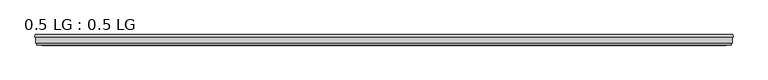
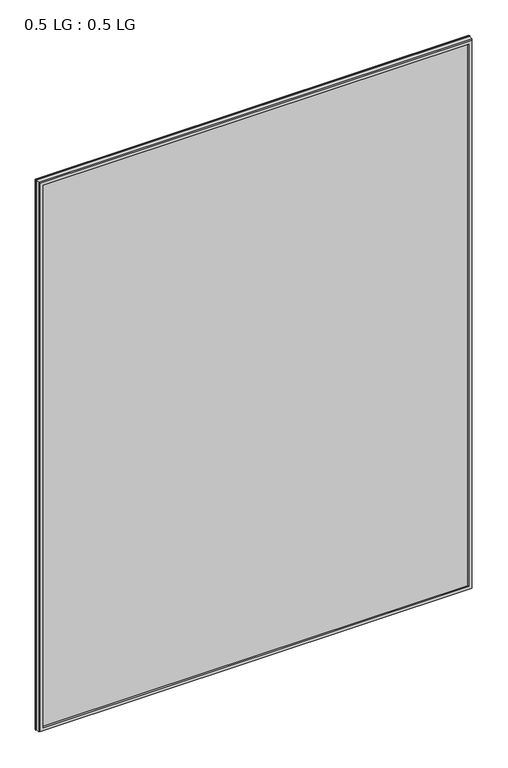
"""IFC4 building model written with IfcOpenShell, lengths in millimetres: plate geometry, 0.5 LG : 0.5 LG."""

import ifcopenshell
import ifcopenshell.guid

model = None  # the IFC model being written
_history = None  # IfcOwnerHistory: only IFC2X3 demands one
_inside = {}  # id of a spatial element -> (the spatial element, [elements in it])
_under = {}  # id of a project, library or spatial element -> (it, [spatial elements below it])
_declared = {}  # id of a project -> (the project, [libraries it declares])
_typed = {}  # id of a type object -> (the type object, [elements of that type])
_made_of = {}  # id of a material, layer set ... -> (it, [elements and type objects made of it])


def new_model(schema):
    """Start an empty IFC model of exactly this schema.

    Asked for "IFC4X3", IfcOpenShell would pick the latest addendum, in which some entities
    have other attributes; the version numbers below select the first issue.
    IFC2X3 requires an IfcOwnerHistory on every rooted entity: one is made here for all.
    """
    global model, _history
    if schema == "IFC4X3":
        model = ifcopenshell.file(schema_version=(4, 3, 0, 0))
    else:
        model = ifcopenshell.file(schema=schema)
    _inside.clear()
    _under.clear()
    _declared.clear()
    _typed.clear()
    _made_of.clear()
    _history = None
    if model.schema == "IFC2X3":
        org = make("IfcOrganization", Name="unknown")
        user = make(
            "IfcPersonAndOrganization",
            ThePerson=make("IfcPerson", FamilyName="unknown"),
            TheOrganization=org,
        )
        app = make(
            "IfcApplication",
            ApplicationDeveloper=org,
            Version="unknown",
            ApplicationFullName="unknown",
            ApplicationIdentifier="unknown",
        )
        _history = make(
            "IfcOwnerHistory",
            OwningUser=user,
            OwningApplication=app,
            ChangeAction="ADDED",
            CreationDate=0,
        )
    return model


def make(cls, **values):
    """One entity of the class cls with the attributes given. An attribute that is None is left unset."""
    return model.create_entity(
        cls, **{name: value for name, value in values.items() if value is not None}
    )


def rooted(cls, **values):
    """An entity with a GlobalId (a new one), such as an element, a storey or a relation."""
    return make(cls, GlobalId=ifcopenshell.guid.new(), OwnerHistory=_history, **values)


def si_unit(unit_type, name, prefix=None):
    """IfcSIUnit, for example si_unit("LENGTHUNIT", "METRE", prefix="MILLI")."""
    return make("IfcSIUnit", UnitType=unit_type, Prefix=prefix, Name=name)


def assignment(units):
    """IfcUnitAssignment: the units of a project."""
    return None if units is None else make("IfcUnitAssignment", Units=units)


def point(xyz):
    """IfcCartesianPoint."""
    return None if xyz is None else make("IfcCartesianPoint", Coordinates=xyz)


def direction(xyz):
    """IfcDirection."""
    return None if xyz is None else make("IfcDirection", DirectionRatios=xyz)


def frame(location, z_axis=None, x_axis=None):
    """IfcAxis2Placement3D, a coordinate frame: its origin and axes. An axis left out is left unset."""
    return make(
        "IfcAxis2Placement3D",
        Location=point(location),
        Axis=direction(z_axis),
        RefDirection=direction(x_axis),
    )


def origin():
    """The frame at (0, 0, 0) with its axes left unset."""
    return frame((0.0, 0.0, 0.0))


def origin_with_axes():
    """The frame at (0, 0, 0) with the z axis (0, 0, 1) and the x axis (1, 0, 0) written out."""
    return frame((0.0, 0.0, 0.0), z_axis=(0.0, 0.0, 1.0), x_axis=(1.0, 0.0, 0.0))


def place(relative_to, where):
    """IfcLocalPlacement: puts the frame where relative to a parent placement (None: the world)."""
    return make(
        "IfcLocalPlacement", PlacementRelTo=relative_to, RelativePlacement=where
    )


def context(
    kind, dimensions, precision=None, world=None, true_north=None, identifier=None
):
    """IfcGeometricRepresentationContext, for example the 3D "Model" context."""
    return make(
        "IfcGeometricRepresentationContext",
        ContextIdentifier=identifier,
        ContextType=kind,
        CoordinateSpaceDimension=dimensions,
        Precision=precision,
        WorldCoordinateSystem=world,
        TrueNorth=true_north,
    )


def project(units=None, contexts=None):
    """IfcProject with its units and contexts."""
    return rooted(
        "IfcProject",
        Name="project",
        RepresentationContexts=contexts,
        UnitsInContext=assignment(units),
    )


def spatial(cls, under=None, at=None, **own):
    """A site, building, storey or space (cls), placed at a placement, below another one or the project."""
    s = rooted(cls, ObjectPlacement=at, **own)
    if under is not None:
        _under.setdefault(under.id(), (under, []))[1].append(s)
    return s


def polyline(points):
    """IfcPolyline through the points."""
    return make("IfcPolyline", Points=[point(p) for p in points])


def outline(outer, holes=None, kind="AREA"):
    """IfcArbitraryClosedProfileDef: a profile drawn as a closed curve; with holes, ...WithVoids."""
    if holes is None:
        return make("IfcArbitraryClosedProfileDef", ProfileType=kind, OuterCurve=outer)
    return make(
        "IfcArbitraryProfileDefWithVoids",
        ProfileType=kind,
        OuterCurve=outer,
        InnerCurves=holes,
    )


def extrude(swept, where, along, depth):
    """IfcExtrudedAreaSolid: the profile swept, set in the frame where, extruded along a direction by depth."""
    return make(
        "IfcExtrudedAreaSolid",
        SweptArea=swept,
        Position=where,
        ExtrudedDirection=direction(along),
        Depth=depth,
    )


def faces_of(points, faces, orient=None, outer=None):
    """IfcFace entities. A face is a list of loops; a loop is a list of indices into points, from 0.

    orient and outer hold one flag for each loop. By default every Orientation is true, the
    first loop of a face is its IfcFaceOuterBound and the others are IfcFaceBound.
    """
    made = []
    for i, loops in enumerate(faces):
        bounds = []
        for j, loop in enumerate(loops):
            is_outer = j == 0 if outer is None else outer[i][j]
            bounds.append(
                make(
                    "IfcFaceOuterBound" if is_outer else "IfcFaceBound",
                    Bound=make("IfcPolyLoop", Polygon=[points[k] for k in loop]),
                    Orientation=True if orient is None else orient[i][j],
                )
            )
        made.append(make("IfcFace", Bounds=bounds))
    return made


def faceted_brep(points, faces, orient=None, outer=None, voids=None):
    """IfcFacetedBrep: a solid bounded by flat faces; with voids (closed shells), ...WithVoids."""
    shared = [point(p) for p in points]
    hull = make("IfcClosedShell", CfsFaces=faces_of(shared, faces, orient, outer))
    if voids is None:
        return make("IfcFacetedBrep", Outer=hull)
    return make(
        "IfcFacetedBrepWithVoids",
        Outer=hull,
        Voids=[
            make(cls, CfsFaces=faces_of(shared, fs, o, b)) for cls, fs, o, b in voids
        ],
    )


def shape(context_of_items, identifier, shape_type, items):
    """IfcShapeRepresentation: the items that make up one representation, for example the "Body"."""
    return make(
        "IfcShapeRepresentation",
        ContextOfItems=context_of_items,
        RepresentationIdentifier=identifier,
        RepresentationType=shape_type,
        Items=items,
    )


def source(mapping_origin, context_of_items, identifier, shape_type, items):
    """IfcRepresentationMap: a shape defined once, which mapped items show again and again."""
    return make(
        "IfcRepresentationMap",
        MappingOrigin=mapping_origin,
        MappedRepresentation=shape(context_of_items, identifier, shape_type, items),
    )


def transform(
    local_origin,
    x_axis=None,
    y_axis=None,
    z_axis=None,
    scale=None,
    scale2=None,
    scale3=None,
    uniform=True,
):
    """IfcCartesianTransformationOperator3D, or its non-uniform kind. x_axis, y_axis, z_axis: its Axis1, 2, 3."""
    if uniform:
        return make(
            "IfcCartesianTransformationOperator3D",
            Axis1=direction(x_axis),
            Axis2=direction(y_axis),
            LocalOrigin=point(local_origin),
            Scale=scale,
            Axis3=direction(z_axis),
        )
    return make(
        "IfcCartesianTransformationOperator3DnonUniform",
        Axis1=direction(x_axis),
        Axis2=direction(y_axis),
        LocalOrigin=point(local_origin),
        Scale=scale,
        Axis3=direction(z_axis),
        Scale2=scale2,
        Scale3=scale3,
    )


def mapped(mapping_source, mapping_target):
    """IfcMappedItem: shows the shape of a source again, moved by a transform."""
    return make(
        "IfcMappedItem", MappingSource=mapping_source, MappingTarget=mapping_target
    )


def made_of(thing, what):
    """Note that an element or type object is made of a material, layer set ...; save() writes the relation."""
    if what is not None:
        _made_of.setdefault(what.id(), (what, []))[1].append(thing)
    return thing


def element(
    cls,
    number,
    at=None,
    inside=None,
    cuts=None,
    type_object=None,
    material=None,
    context=None,
    identifier="Body",
    shape_type=None,
    held_by="IfcProductDefinitionShape",
    body=None,
    shapes=None,
    **own,
):
    """One element of the class cls, such as IfcWall. Its Tag is "e" and its number.

    at: its placement. inside: the storey or other place that contains it. cuts: it is an
    opening in that element (IfcRelVoidsElement). A single representation is given by context,
    identifier, shape_type and body (its items); several are given by shapes. held_by: the class
    of the entity that holds the representations. save() writes the other relations.
    """
    e = rooted(cls, Tag="e%d" % number, ObjectPlacement=at, **own)
    if body is not None:
        shapes = [shape(context, identifier, shape_type, body)]
    if shapes is not None:
        e.Representation = make(held_by, Representations=shapes)
    if inside is not None:
        _inside.setdefault(inside.id(), (inside, []))[1].append(e)
    if cuts is not None:
        rooted(
            "IfcRelVoidsElement", RelatingBuildingElement=cuts, RelatedOpeningElement=e
        )
    if type_object is not None:
        _typed.setdefault(type_object.id(), (type_object, []))[1].append(e)
    return made_of(e, material)


def aggregate(whole, parts):
    """IfcRelAggregates: a whole, such as a stair, and the parts it consists of."""
    return rooted("IfcRelAggregates", RelatingObject=whole, RelatedObjects=parts)


def save(model, path):
    """Write the relations noted so far, then the file.

    IfcRelAggregates (storeys below a building ...), IfcRelContainedInSpatialStructure (elements
    in a storey), IfcRelDefinesByType, IfcRelAssociatesMaterial and IfcRelDeclares: one each for
    every whole, place, type object, material and project.
    """
    for whole, parts in _under.values():
        aggregate(whole, parts)
    for where, things in _inside.values():
        rooted(
            "IfcRelContainedInSpatialStructure",
            RelatedElements=things,
            RelatingStructure=where,
        )
    for kind, things in _typed.values():
        rooted("IfcRelDefinesByType", RelatedObjects=things, RelatingType=kind)
    for what, things in _made_of.values():
        rooted("IfcRelAssociatesMaterial", RelatedObjects=things, RelatingMaterial=what)
    for by, libraries in _declared.values():
        rooted("IfcRelDeclares", RelatingContext=by, RelatedDefinitions=libraries)
    model.write(path)


def plate_0_5_lg_0_5_lg_91188e90(model_context):
    return source(origin(), model_context, "Body", "SolidModel", [
        faceted_brep([(-751.2754633, 26.3144, 2009.4145659), (-750.0871801, 30.9880073, 2008.2262827), (-750.0871801, 30.9880073, -0.7871801), (-751.2754633, 26.3144, -1.9754633), (-738.9623956, 30.9880073, 1997.1014982), (-737.7742356, 26.3144, 1995.9133382), (-737.7742356, 26.3144, 11.5257644), (-738.9623956, 30.9880073, 10.3376044), (750.0871801, 30.9880073, -0.7871801), (751.2754633, 26.3144, -1.9754633), (737.7742356, 26.3144, 11.5257644), (738.9623956, 30.9880073, 10.3376044), (750.0871801, 30.9880073, 2008.2262827), (751.2754633, 26.3144, 2009.4145659), (737.7742356, 26.3144, 1995.9133382), (738.9623956, 30.9880073, 1997.1014982)], [[[0, 1, 2, 3]], [[4, 5, 6, 7]], [[3, 2, 8, 9]], [[7, 6, 10, 11]], [[9, 8, 12, 13]], [[11, 10, 14, 15]], [[1, 12, 8, 2], [7, 11, 15, 4]], [[13, 12, 1, 0]], [[3, 9, 13, 0], [5, 14, 10, 6]], [[15, 14, 5, 4]]]),
        faceted_brep([(-735.1786419, 12.7, 1993.3177445), (-736.2441159, 8.50902, 1994.3832185), (-736.2441159, 8.50902, 13.0558841), (-735.1786419, 12.7, 14.1213581), (-747.3695018, 8.50902, 2005.5086044), (-748.4347832, 12.7, 2006.5738858), (-748.4347832, 12.7, 0.8652168), (-747.3695018, 8.50902, 1.9304982), (736.2441159, 8.50902, 13.0558841), (735.1786419, 12.7, 14.1213581), (748.4347832, 12.7, 0.8652168), (747.3695018, 8.50902, 1.9304982), (736.2441159, 8.50902, 1994.3832185), (735.1786419, 12.7, 1993.3177445), (748.4347832, 12.7, 2006.5738858), (747.3695018, 8.50902, 2005.5086044)], [[[0, 1, 2, 3]], [[4, 5, 6, 7]], [[3, 2, 8, 9]], [[7, 6, 10, 11]], [[9, 8, 12, 13]], [[11, 10, 14, 15]], [[13, 12, 1, 0]], [[5, 14, 10, 6], [3, 9, 13, 0]], [[15, 14, 5, 4]], [[7, 11, 15, 4], [1, 12, 8, 2]]]),
        extrude(outline(polyline([(749.3, 26.3144), (749.3, 12.7), (-749.3, 12.7), (-749.3, 26.3144), (749.3, 26.3144)])), origin_with_axes(), (0.0, 0.0, 1.0), 2007.4391026),
    ])


if __name__ == "__main__":
    model = new_model("IFC4")
    model_context = context("Model", 3, world=origin())
    ifc_project = project(units=[si_unit("LENGTHUNIT", "METRE", prefix="MILLI")], contexts=[model_context])
    site = spatial("IfcSite", under=ifc_project)
    building = spatial("IfcBuilding", under=site)
    placement = place(None, origin())
    plate_0_5_lg_0_5_lg_shape = plate_0_5_lg_0_5_lg_91188e90(model_context)
    element("IfcPlate", 1, ObjectType="0.5 LG : 0.5 LG", at=placement, inside=building, context=model_context, shape_type="MappedRepresentation", body=[
        mapped(plate_0_5_lg_0_5_lg_shape, transform((0.0, 0.0, 0.0), x_axis=(1.0, 0.0, 0.0), y_axis=(0.0, 1.0, 0.0), z_axis=(0.0, 0.0, 1.0))),
    ])
    save(model, "model.ifc")
